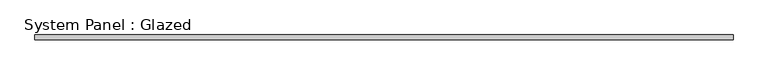
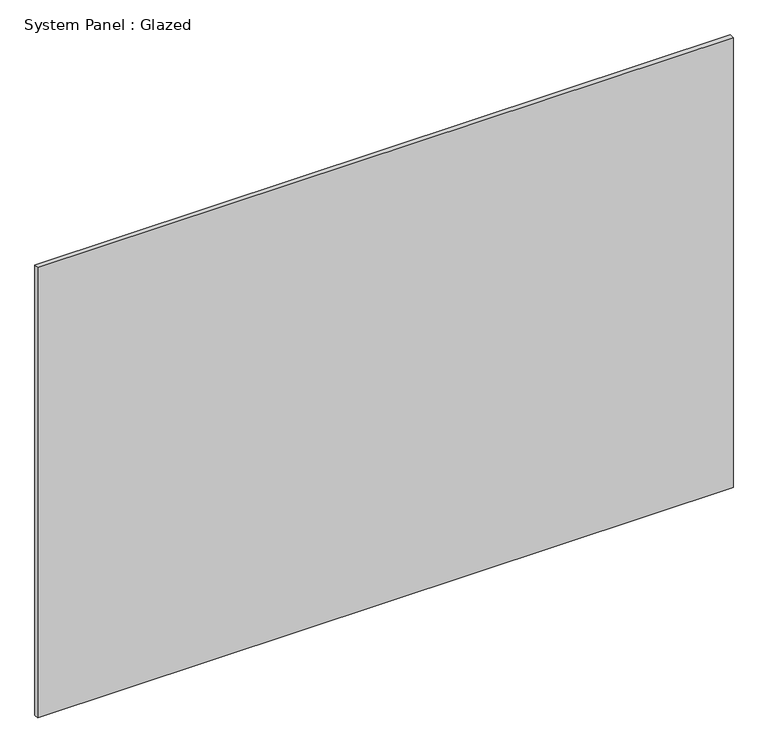
"""IFC4 building model written with IfcOpenShell, lengths in millimetres: plate geometry, System Panel : Glazed."""

from ifc_helpers import new_model, si_unit, origin, origin_with_axes, place, context, project, spatial, polyline, outline, extrude, source, transform, mapped, element, save


def system_panel_glazed_aba4b9f9(model_context):
    return source(origin(), model_context, "Body", "SweptSolid", [
        extrude(outline(polyline([(745.0000001, -5.0), (-745.0000001, -5.0), (-745.0000001, 5.0), (745.0000001, 5.0), (745.0000001, -5.0)])), origin_with_axes(), (0.0, 0.0, 1.0), 1020.0),
    ])


if __name__ == "__main__":
    model = new_model("IFC4")
    model_context = context("Model", 3, world=origin())
    ifc_project = project(units=[si_unit("LENGTHUNIT", "METRE", prefix="MILLI")], contexts=[model_context])
    site = spatial("IfcSite", under=ifc_project)
    building = spatial("IfcBuilding", under=site)
    placement = place(None, origin())
    system_panel_glazed_shape = system_panel_glazed_aba4b9f9(model_context)
    element("IfcPlate", 1, ObjectType="System Panel : Glazed", at=placement, inside=building, context=model_context, shape_type="MappedRepresentation", body=[
        mapped(system_panel_glazed_shape, transform((0.0, 0.0, 0.0), x_axis=(1.0, 0.0, 0.0), y_axis=(0.0, 1.0, 0.0), z_axis=(0.0, 0.0, 1.0))),
    ])
    save(model, "model.ifc")
